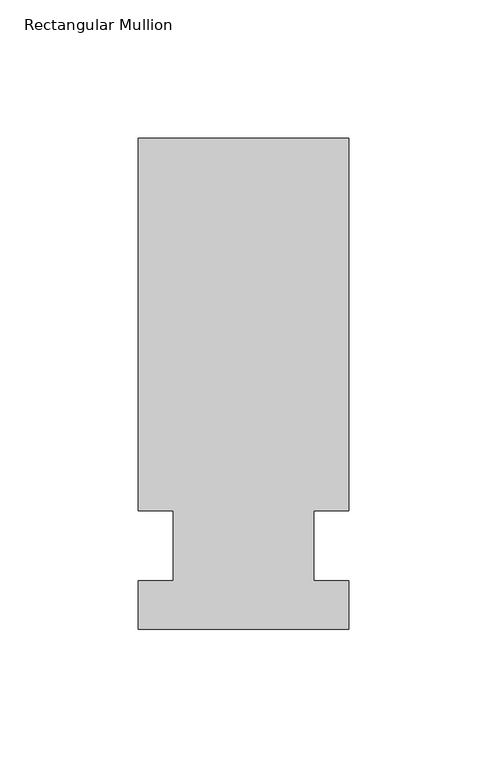
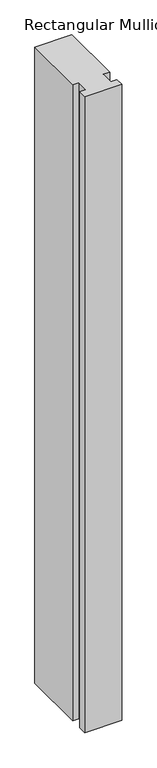
"""IFC4 building model written with IfcOpenShell, lengths in millimetres: member geometry, Rectangular Mullion."""

from ifc_helpers import new_model, si_unit, frame, origin, place, context, project, spatial, polyline, outline, extrude, source, transform, mapped, element, save


def rectangular_mullion_310f76d6(model_context):
    return source(origin(), model_context, "Body", "SweptSolid", [
        extrude(outline(polyline([(38.4656527, 147.6375), (38.4656527, 12.7), (25.7638822, 12.7), (25.7638822, -12.7), (38.4656527, -12.7), (38.4656527, -30.1625), (-37.7343473, -30.1625), (-37.7343473, -12.7), (-25.0343473, -12.7), (-25.0343473, 12.7), (-37.7343473, 12.7), (-37.7343473, 147.6375), (38.4656527, 147.6375)])), frame((0.0, 0.0, -1387.5760693), z_axis=(0.0, 0.0, 1.0), x_axis=(1.0, 0.0, 0.0)), (0.0, 0.0, 1.0), 1387.5760693),
    ])


if __name__ == "__main__":
    model = new_model("IFC4")
    model_context = context("Model", 3, world=origin())
    ifc_project = project(units=[si_unit("LENGTHUNIT", "METRE", prefix="MILLI")], contexts=[model_context])
    site = spatial("IfcSite", under=ifc_project)
    building = spatial("IfcBuilding", under=site)
    placement = place(None, origin())
    rectangular_mullion_shape = rectangular_mullion_310f76d6(model_context)
    element("IfcMember", 1, ObjectType="Rectangular Mullion", at=placement, inside=building, context=model_context, shape_type="MappedRepresentation", body=[
        mapped(rectangular_mullion_shape, transform((0.0, 0.0, 0.0), x_axis=(1.0, 0.0, 0.0), y_axis=(0.0, 1.0, 0.0), z_axis=(0.0, 0.0, 1.0))),
    ])
    save(model, "model.ifc")
